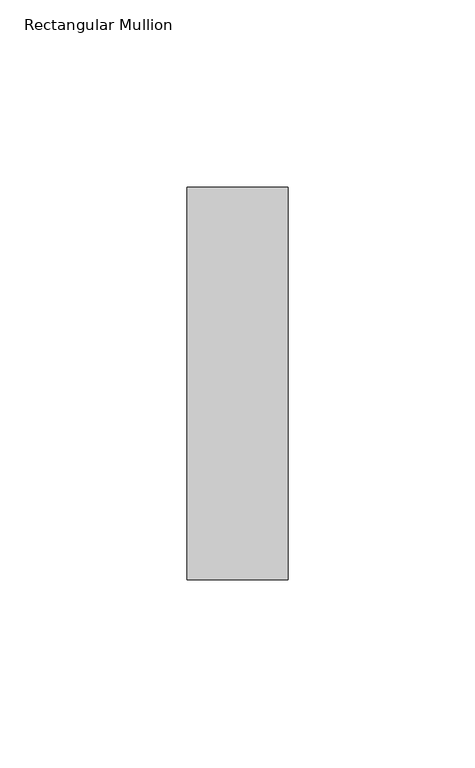
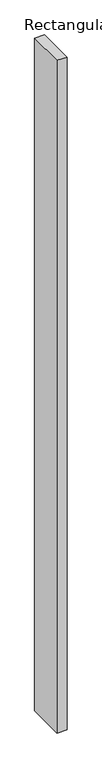
"""IFC4 building model written with IfcOpenShell, lengths in millimetres: member geometry, Rectangular Mullion."""

import ifcopenshell
import ifcopenshell.guid

model = None  # the IFC model being written
_history = None  # IfcOwnerHistory: only IFC2X3 demands one
_inside = {}  # id of a spatial element -> (the spatial element, [elements in it])
_under = {}  # id of a project, library or spatial element -> (it, [spatial elements below it])
_declared = {}  # id of a project -> (the project, [libraries it declares])
_typed = {}  # id of a type object -> (the type object, [elements of that type])
_made_of = {}  # id of a material, layer set ... -> (it, [elements and type objects made of it])


def new_model(schema):
    """Start an empty IFC model of exactly this schema.

    Asked for "IFC4X3", IfcOpenShell would pick the latest addendum, in which some entities
    have other attributes; the version numbers below select the first issue.
    IFC2X3 requires an IfcOwnerHistory on every rooted entity: one is made here for all.
    """
    global model, _history
    if schema == "IFC4X3":
        model = ifcopenshell.file(schema_version=(4, 3, 0, 0))
    else:
        model = ifcopenshell.file(schema=schema)
    _inside.clear()
    _under.clear()
    _declared.clear()
    _typed.clear()
    _made_of.clear()
    _history = None
    if model.schema == "IFC2X3":
        org = make("IfcOrganization", Name="unknown")
        user = make(
            "IfcPersonAndOrganization",
            ThePerson=make("IfcPerson", FamilyName="unknown"),
            TheOrganization=org,
        )
        app = make(
            "IfcApplication",
            ApplicationDeveloper=org,
            Version="unknown",
            ApplicationFullName="unknown",
            ApplicationIdentifier="unknown",
        )
        _history = make(
            "IfcOwnerHistory",
            OwningUser=user,
            OwningApplication=app,
            ChangeAction="ADDED",
            CreationDate=0,
        )
    return model


def make(cls, **values):
    """One entity of the class cls with the attributes given. An attribute that is None is left unset."""
    return model.create_entity(
        cls, **{name: value for name, value in values.items() if value is not None}
    )


def rooted(cls, **values):
    """An entity with a GlobalId (a new one), such as an element, a storey or a relation."""
    return make(cls, GlobalId=ifcopenshell.guid.new(), OwnerHistory=_history, **values)


def si_unit(unit_type, name, prefix=None):
    """IfcSIUnit, for example si_unit("LENGTHUNIT", "METRE", prefix="MILLI")."""
    return make("IfcSIUnit", UnitType=unit_type, Prefix=prefix, Name=name)


def assignment(units):
    """IfcUnitAssignment: the units of a project."""
    return None if units is None else make("IfcUnitAssignment", Units=units)


def point(xyz):
    """IfcCartesianPoint."""
    return None if xyz is None else make("IfcCartesianPoint", Coordinates=xyz)


def direction(xyz):
    """IfcDirection."""
    return None if xyz is None else make("IfcDirection", DirectionRatios=xyz)


def frame(location, z_axis=None, x_axis=None):
    """IfcAxis2Placement3D, a coordinate frame: its origin and axes. An axis left out is left unset."""
    return make(
        "IfcAxis2Placement3D",
        Location=point(location),
        Axis=direction(z_axis),
        RefDirection=direction(x_axis),
    )


def origin():
    """The frame at (0, 0, 0) with its axes left unset."""
    return frame((0.0, 0.0, 0.0))


def place(relative_to, where):
    """IfcLocalPlacement: puts the frame where relative to a parent placement (None: the world)."""
    return make(
        "IfcLocalPlacement", PlacementRelTo=relative_to, RelativePlacement=where
    )


def context(
    kind, dimensions, precision=None, world=None, true_north=None, identifier=None
):
    """IfcGeometricRepresentationContext, for example the 3D "Model" context."""
    return make(
        "IfcGeometricRepresentationContext",
        ContextIdentifier=identifier,
        ContextType=kind,
        CoordinateSpaceDimension=dimensions,
        Precision=precision,
        WorldCoordinateSystem=world,
        TrueNorth=true_north,
    )


def project(units=None, contexts=None):
    """IfcProject with its units and contexts."""
    return rooted(
        "IfcProject",
        Name="project",
        RepresentationContexts=contexts,
        UnitsInContext=assignment(units),
    )


def spatial(cls, under=None, at=None, **own):
    """A site, building, storey or space (cls), placed at a placement, below another one or the project."""
    s = rooted(cls, ObjectPlacement=at, **own)
    if under is not None:
        _under.setdefault(under.id(), (under, []))[1].append(s)
    return s


def polyline(points):
    """IfcPolyline through the points."""
    return make("IfcPolyline", Points=[point(p) for p in points])


def outline(outer, holes=None, kind="AREA"):
    """IfcArbitraryClosedProfileDef: a profile drawn as a closed curve; with holes, ...WithVoids."""
    if holes is None:
        return make("IfcArbitraryClosedProfileDef", ProfileType=kind, OuterCurve=outer)
    return make(
        "IfcArbitraryProfileDefWithVoids",
        ProfileType=kind,
        OuterCurve=outer,
        InnerCurves=holes,
    )


def extrude(swept, where, along, depth):
    """IfcExtrudedAreaSolid: the profile swept, set in the frame where, extruded along a direction by depth."""
    return make(
        "IfcExtrudedAreaSolid",
        SweptArea=swept,
        Position=where,
        ExtrudedDirection=direction(along),
        Depth=depth,
    )


def shape(context_of_items, identifier, shape_type, items):
    """IfcShapeRepresentation: the items that make up one representation, for example the "Body"."""
    return make(
        "IfcShapeRepresentation",
        ContextOfItems=context_of_items,
        RepresentationIdentifier=identifier,
        RepresentationType=shape_type,
        Items=items,
    )


def source(mapping_origin, context_of_items, identifier, shape_type, items):
    """IfcRepresentationMap: a shape defined once, which mapped items show again and again."""
    return make(
        "IfcRepresentationMap",
        MappingOrigin=mapping_origin,
        MappedRepresentation=shape(context_of_items, identifier, shape_type, items),
    )


def transform(
    local_origin,
    x_axis=None,
    y_axis=None,
    z_axis=None,
    scale=None,
    scale2=None,
    scale3=None,
    uniform=True,
):
    """IfcCartesianTransformationOperator3D, or its non-uniform kind. x_axis, y_axis, z_axis: its Axis1, 2, 3."""
    if uniform:
        return make(
            "IfcCartesianTransformationOperator3D",
            Axis1=direction(x_axis),
            Axis2=direction(y_axis),
            LocalOrigin=point(local_origin),
            Scale=scale,
            Axis3=direction(z_axis),
        )
    return make(
        "IfcCartesianTransformationOperator3DnonUniform",
        Axis1=direction(x_axis),
        Axis2=direction(y_axis),
        LocalOrigin=point(local_origin),
        Scale=scale,
        Axis3=direction(z_axis),
        Scale2=scale2,
        Scale3=scale3,
    )


def mapped(mapping_source, mapping_target):
    """IfcMappedItem: shows the shape of a source again, moved by a transform."""
    return make(
        "IfcMappedItem", MappingSource=mapping_source, MappingTarget=mapping_target
    )


def made_of(thing, what):
    """Note that an element or type object is made of a material, layer set ...; save() writes the relation."""
    if what is not None:
        _made_of.setdefault(what.id(), (what, []))[1].append(thing)
    return thing


def element(
    cls,
    number,
    at=None,
    inside=None,
    cuts=None,
    type_object=None,
    material=None,
    context=None,
    identifier="Body",
    shape_type=None,
    held_by="IfcProductDefinitionShape",
    body=None,
    shapes=None,
    **own,
):
    """One element of the class cls, such as IfcWall. Its Tag is "e" and its number.

    at: its placement. inside: the storey or other place that contains it. cuts: it is an
    opening in that element (IfcRelVoidsElement). A single representation is given by context,
    identifier, shape_type and body (its items); several are given by shapes. held_by: the class
    of the entity that holds the representations. save() writes the other relations.
    """
    e = rooted(cls, Tag="e%d" % number, ObjectPlacement=at, **own)
    if body is not None:
        shapes = [shape(context, identifier, shape_type, body)]
    if shapes is not None:
        e.Representation = make(held_by, Representations=shapes)
    if inside is not None:
        _inside.setdefault(inside.id(), (inside, []))[1].append(e)
    if cuts is not None:
        rooted(
            "IfcRelVoidsElement", RelatingBuildingElement=cuts, RelatedOpeningElement=e
        )
    if type_object is not None:
        _typed.setdefault(type_object.id(), (type_object, []))[1].append(e)
    return made_of(e, material)


def aggregate(whole, parts):
    """IfcRelAggregates: a whole, such as a stair, and the parts it consists of."""
    return rooted("IfcRelAggregates", RelatingObject=whole, RelatedObjects=parts)


def save(model, path):
    """Write the relations noted so far, then the file.

    IfcRelAggregates (storeys below a building ...), IfcRelContainedInSpatialStructure (elements
    in a storey), IfcRelDefinesByType, IfcRelAssociatesMaterial and IfcRelDeclares: one each for
    every whole, place, type object, material and project.
    """
    for whole, parts in _under.values():
        aggregate(whole, parts)
    for where, things in _inside.values():
        rooted(
            "IfcRelContainedInSpatialStructure",
            RelatedElements=things,
            RelatingStructure=where,
        )
    for kind, things in _typed.values():
        rooted("IfcRelDefinesByType", RelatedObjects=things, RelatingType=kind)
    for what, things in _made_of.values():
        rooted("IfcRelAssociatesMaterial", RelatedObjects=things, RelatingMaterial=what)
    for by, libraries in _declared.values():
        rooted("IfcRelDeclares", RelatingContext=by, RelatedDefinitions=libraries)
    model.write(path)


def rectangular_mullion_a1ff3a02(model_context):
    return source(origin(), model_context, "Body", "SweptSolid", [
        extrude(outline(polyline([(0.0, 52.3975), (0.0, -52.3975), (-27.0, -52.3975), (-27.0, 52.3975), (0.0, 52.3975)])), frame((0.0, 0.0, -1925.2005836), z_axis=(0.0, 0.0, 1.0), x_axis=(1.0, 0.0, 0.0)), (0.0, 0.0, 1.0), 1925.2005836),
    ])


if __name__ == "__main__":
    model = new_model("IFC4")
    model_context = context("Model", 3, world=origin())
    ifc_project = project(units=[si_unit("LENGTHUNIT", "METRE", prefix="MILLI")], contexts=[model_context])
    site = spatial("IfcSite", under=ifc_project)
    building = spatial("IfcBuilding", under=site)
    placement = place(None, origin())
    rectangular_mullion_shape = rectangular_mullion_a1ff3a02(model_context)
    element("IfcMember", 1, ObjectType="Rectangular Mullion", at=placement, inside=building, context=model_context, shape_type="MappedRepresentation", body=[
        mapped(rectangular_mullion_shape, transform((0.0, 0.0, 0.0), x_axis=(1.0, 0.0, 0.0), y_axis=(0.0, 1.0, 0.0), z_axis=(0.0, 0.0, 1.0))),
    ])
    save(model, "model.ifc")
